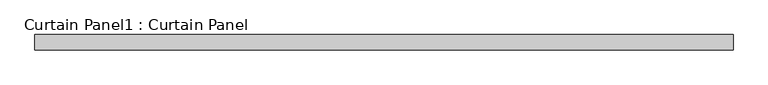
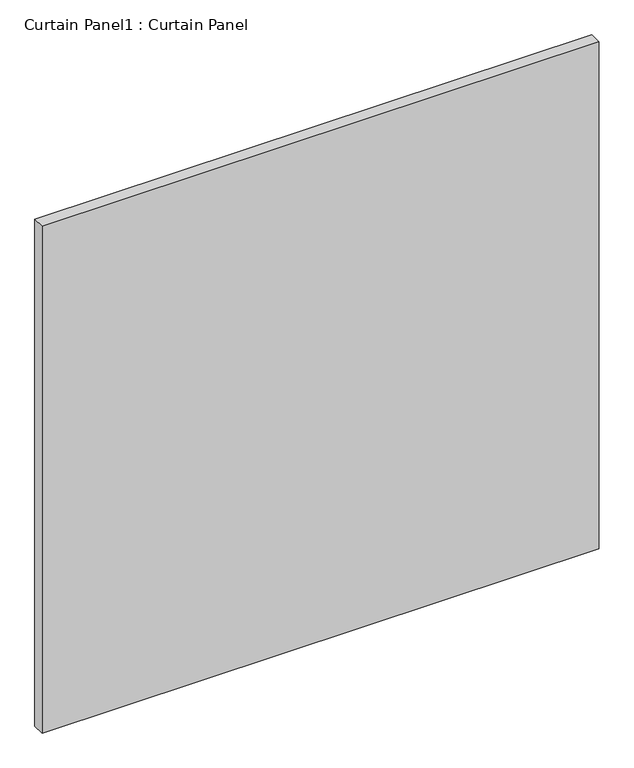
"""IFC4 building model written with IfcOpenShell, lengths in millimetres: plate geometry, Curtain Panel1 : Curtain Panel."""

from ifc_helpers import new_model, si_unit, frame, origin, place, context, project, spatial, polyline, outline, extrude, source, transform, mapped, element, save


def curtain_panel1_curtain_panel_aa63e860(model_context):
    return source(origin(), model_context, "Body", "SweptSolid", [
        extrude(outline(polyline([(-293378.3274652, -494.5574136), (-294527.6774652, -494.5574136), (-294527.6774652, -469.1574136), (-293378.3274652, -469.1574136), (-293378.3274652, -494.5574136)])), frame((0.0, 0.0, -1198.5624365), z_axis=(0.0, 0.0, 1.0), x_axis=(1.0, 0.0, 0.0)), (0.0, 0.0, 1.0), 1104.8999368),
    ])


if __name__ == "__main__":
    model = new_model("IFC4")
    model_context = context("Model", 3, world=origin())
    ifc_project = project(units=[si_unit("LENGTHUNIT", "METRE", prefix="MILLI")], contexts=[model_context])
    site = spatial("IfcSite", under=ifc_project)
    building = spatial("IfcBuilding", under=site)
    placement = place(None, origin())
    curtain_panel1_curtain_panel_shape = curtain_panel1_curtain_panel_aa63e860(model_context)
    element("IfcPlate", 1, ObjectType="Curtain Panel1 : Curtain Panel", at=placement, inside=building, context=model_context, shape_type="MappedRepresentation", body=[
        mapped(curtain_panel1_curtain_panel_shape, transform((0.0, 0.0, 0.0), x_axis=(1.0, 0.0, 0.0), y_axis=(0.0, 1.0, 0.0), z_axis=(0.0, 0.0, 1.0))),
    ])
    save(model, "model.ifc")
